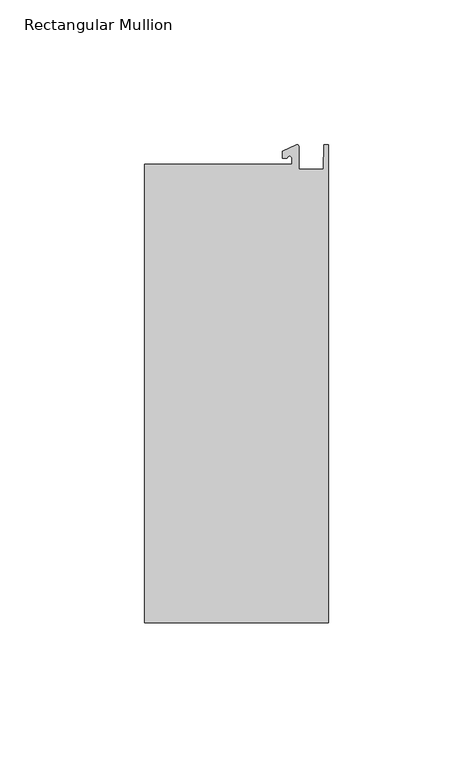
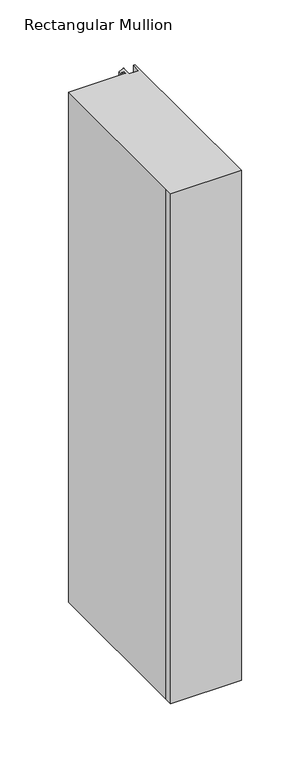
"""IFC4 building model written with IfcOpenShell, lengths in millimetres: member geometry, Rectangular Mullion."""

from ifc_helpers import new_model, si_unit, point, frame, frame_2d, origin, place, context, project, spatial, polyline, circle_curve, trimmed, segment, composite_curve, outline, extrude, source, transform, mapped, element, save


def rectangular_mullion_806f6561(model_context):
    return source(origin(), model_context, "Body", "SweptSolid", [
        extrude(outline(composite_curve([segment(polyline([(-12.6173814, 25.5984375), (-12.6173814, 27.6780632)]), True, "CONTINUOUS"), segment(trimmed(circle_curve(frame_2d((-13.4111314, 27.6780632)), 0.79375), [point((-12.6173814, 27.6780632))], [point((-14.2048814, 27.6780632))], True, "CARTESIAN"), True, "CONTINUOUS"), segment(polyline([(-14.2048814, 27.6780632), (-15.7923814, 27.6780632), (-15.7923814, 30.0402625), (-10.9524715, 32.2971496)]), True, "CONTINUOUS"), segment(trimmed(circle_curve(frame_2d((-10.7377814, 31.8367452)), 0.508), [point((-10.9524715, 32.2971496))], [point((-10.2297814, 31.8367452))], False, "CARTESIAN"), True, "CONTINUOUS"), segment(polyline([(-10.2297814, 31.8367452), (-10.2297814, 23.9227662), (-1.7144124, 23.9227662), (-1.5658966, 32.288874), (0.0, 32.288874), (0.0, -132.822512), (-63.5, -132.822512), (-63.5, -125.075512), (-63.5, 25.5984375), (-12.6173814, 25.5984375)]), True, "CONTINUOUS")], self_intersect=False)), frame((0.0, 0.0, -482.6), z_axis=(0.0, 0.0, 1.0), x_axis=(1.0, 0.0, 0.0)), (0.0, 0.0, 1.0), 482.6),
    ])


if __name__ == "__main__":
    model = new_model("IFC4")
    model_context = context("Model", 3, world=origin())
    ifc_project = project(units=[si_unit("LENGTHUNIT", "METRE", prefix="MILLI")], contexts=[model_context])
    site = spatial("IfcSite", under=ifc_project)
    building = spatial("IfcBuilding", under=site)
    placement = place(None, origin())
    rectangular_mullion_shape = rectangular_mullion_806f6561(model_context)
    element("IfcMember", 1, ObjectType="Rectangular Mullion", at=placement, inside=building, context=model_context, shape_type="MappedRepresentation", body=[
        mapped(rectangular_mullion_shape, transform((0.0, 0.0, 0.0), x_axis=(1.0, 0.0, 0.0), y_axis=(0.0, 1.0, 0.0), z_axis=(0.0, 0.0, 1.0))),
    ])
    save(model, "model.ifc")
